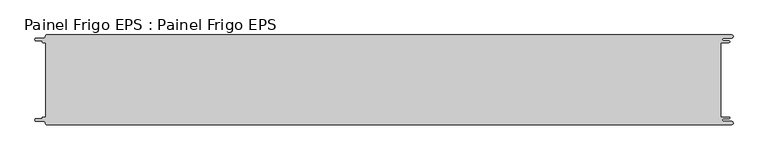
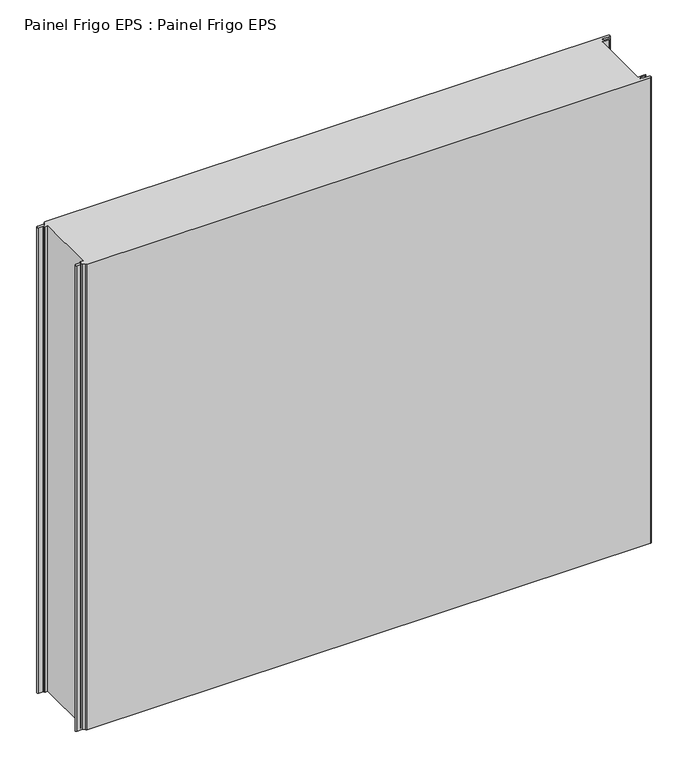
"""IFC4 building model written with IfcOpenShell, lengths in millimetres: proxy geometry, Painel Frigo EPS : Painel Frigo EPS."""

from ifc_helpers import new_model, si_unit, frame, origin, place, context, project, spatial, polyline, circle_curve, source, transform, mapped, element, save
from ifc_brep_helpers import plane_surface, cylinder_surface, revolved_surface, advanced_brep


def painel_frigo_eps_painel_frigo_eps_00dae897(model_context):
    return source(origin(), model_context, "Body", "AdvancedBrep", [
        advanced_brep(
        [(-579.5093748, -62.3, 1000.0), (-580.1093748, -62.9, 1000.0), (-580.1093748, -63.7085184, 1000.0), (-581.5093751, -65.1085187, 1000.0), (-590.4875, -65.1085187, 1000.0), (-590.4875, -69.5085185, 1000.0), (-578.471875, -69.5085185, 1000.0), (-574.921875, -73.0585185, 1000.0), (-572.971875, -75.0, 1000.0), (572.284375, -75.0, 1000.0), (572.284375, -69.725, 1000.0), (559.378125, -69.725, 1000.0), (559.378125, -64.875, 1000.0), (568.0406253, -64.875, 1000.0), (568.0406253, -62.3, 1000.0), (554.1906253, -62.3, 1000.0), (554.1906253, 62.3, 1000.0), (568.0406253, 62.3, 1000.0), (568.0406253, 64.875, 1000.0), (559.378125, 64.875, 1000.0), (559.378125, 69.725, 1000.0), (572.284375, 69.725, 1000.0), (572.284375, 75.0, 1000.0), (-572.971875, 75.0, 1000.0), (-574.921875, 73.05, 1000.0), (-578.471875, 69.5085185, 1000.0), (-590.4875, 69.5085185, 1000.0), (-590.4875, 65.1085185, 1000.0), (-581.5093753, 65.1085185, 1000.0), (-580.1093753, 63.7085185, 1000.0), (-580.1093753, 62.9, 1000.0), (-579.5093748, 62.2999995, 1000.0), (-574.2218362, 62.2999995, 1000.0), (-574.2218362, -62.3, 1000.0), (-579.5093748, -62.3, 0.0), (-574.2218362, -62.3, 0.0), (-574.2218362, 62.2999995, 0.0), (-579.5093748, 62.2999995, 0.0), (-580.1093753, 62.9, 0.0), (-580.1093753, 63.7085185, 0.0), (-581.5093753, 65.1085185, 0.0), (-590.4875, 65.1085185, 0.0), (-590.4875, 69.5085185, 0.0), (-578.471875, 69.5085185, 0.0), (-574.921875, 73.0585185, 0.0), (-572.971875, 75.0, 0.0), (572.284375, 75.0, 0.0), (572.284375, 69.725, 0.0), (559.378125, 69.725, 0.0), (559.378125, 64.875, 0.0), (568.0406253, 64.875, 0.0), (568.0406253, 62.3, 0.0), (554.1906253, 62.3, 0.0), (554.1906253, -62.3, 0.0), (568.0406253, -62.3, 0.0), (568.0406253, -64.875, 0.0), (559.378125, -64.875, 0.0), (559.378125, -69.725, 0.0), (572.284375, -69.725, 0.0), (572.284375, -75.0, 0.0), (-572.971875, -75.0, 0.0), (-574.921875, -73.05, 0.0), (-578.471875, -69.5085185, 0.0), (-590.4875, -69.5085185, 0.0), (-590.4875, -65.1085187, 0.0), (-581.5093751, -65.1085187, 0.0), (-580.1093748, -63.7085184, 0.0), (-580.1093748, -62.9, 0.0)],
        [
            (0, 1, circle_curve(frame((-579.5093748, -62.9, 1000.0), z_axis=(0.0, 0.0, 1.0), x_axis=(1.0, 0.0, 0.0)), 0.6)),
            (1, 2),
            (2, 3, circle_curve(frame((-581.5093751, -63.7085184, 1000.0), z_axis=(0.0, 0.0, -1.0), x_axis=(1.0, 0.0, 0.0)), 1.4000003)),
            (3, 4),
            (4, 5, circle_curve(frame((-590.4875, -67.3085186, 1000.0), z_axis=(0.0, 0.0, 1.0), x_axis=(1.0, 0.0, 0.0)), 2.1999999)),
            (5, 6),
            (6, 7, circle_curve(frame((-578.471875, -73.0585185, 1000.0), z_axis=(0.0, 0.0, -1.0), x_axis=(1.0, 0.0, 0.0)), 3.55)),
            (7, 8, circle_curve(frame((-572.971875, -73.05, 1000.0), z_axis=(0.0, 0.0, 1.0), x_axis=(1.0, 0.0, 0.0)), 1.95)),
            (8, 9),
            (9, 10, circle_curve(frame((572.284375, -72.3625, 1000.0), z_axis=(0.0, 0.0, 1.0), x_axis=(1.0, 0.0, 0.0)), 2.6375)),
            (10, 11),
            (11, 12, circle_curve(frame((559.378125, -67.3, 1000.0), z_axis=(0.0, 0.0, -1.0), x_axis=(1.0, 0.0, 0.0)), 2.425)),
            (12, 13),
            (13, 14, circle_curve(frame((568.0406253, -63.5875, 1000.0), z_axis=(0.0, 0.0, 1.0), x_axis=(1.0, 0.0, 0.0)), 1.2875)),
            (14, 15),
            (15, 16),
            (16, 17),
            (17, 18, circle_curve(frame((568.0406253, 63.5875, 1000.0), z_axis=(0.0, 0.0, 1.0), x_axis=(1.0, 0.0, 0.0)), 1.2875)),
            (18, 19),
            (19, 20, circle_curve(frame((559.378125, 67.3, 1000.0), z_axis=(0.0, 0.0, -1.0), x_axis=(1.0, 0.0, 0.0)), 2.425)),
            (20, 21),
            (21, 22, circle_curve(frame((572.284375, 72.3625, 1000.0), z_axis=(0.0, 0.0, 1.0), x_axis=(1.0, 0.0, 0.0)), 2.6375)),
            (22, 23),
            (23, 24, circle_curve(frame((-572.971875, 73.05, 1000.0), z_axis=(0.0, 0.0, 1.0), x_axis=(1.0, 0.0, 0.0)), 1.95)),
            (24, 25, circle_curve(frame((-578.471875, 73.0585185, 1000.0), z_axis=(0.0, 0.0, -1.0), x_axis=(1.0, 0.0, 0.0)), 3.55)),
            (25, 26),
            (26, 27, circle_curve(frame((-590.4875, 67.3085185, 1000.0), z_axis=(0.0, 0.0, 1.0), x_axis=(1.0, 0.0, 0.0)), 2.2)),
            (27, 28),
            (28, 29, circle_curve(frame((-581.5093753, 63.7085185, 1000.0), z_axis=(0.0, 0.0, -1.0), x_axis=(1.0, 0.0, 0.0)), 1.4)),
            (29, 30),
            (30, 31, circle_curve(frame((-579.5093748, 62.9, 1000.0), z_axis=(0.0, 0.0, 1.0), x_axis=(1.0, 0.0, 0.0)), 0.6000005)),
            (31, 32),
            (32, 33),
            (33, 0),
            (34, 35),
            (35, 36),
            (36, 37),
            (37, 38, circle_curve(frame((-579.5093748, 62.9, 0.0), z_axis=(0.0, 0.0, -1.0), x_axis=(1.0, 0.0, 0.0)), 0.6000005)),
            (38, 39),
            (39, 40, circle_curve(frame((-581.5093753, 63.7085185, 0.0), z_axis=(0.0, 0.0, 1.0), x_axis=(1.0, 0.0, 0.0)), 1.4)),
            (40, 41),
            (41, 42, circle_curve(frame((-590.4875, 67.3085185, 0.0), z_axis=(0.0, 0.0, -1.0), x_axis=(1.0, 0.0, 0.0)), 2.2)),
            (42, 43),
            (43, 44, circle_curve(frame((-578.471875, 73.0585185, 0.0), z_axis=(0.0, 0.0, 1.0), x_axis=(1.0, 0.0, 0.0)), 3.55)),
            (44, 45, circle_curve(frame((-572.971875, 73.05, 0.0), z_axis=(0.0, 0.0, -1.0), x_axis=(1.0, 0.0, 0.0)), 1.95)),
            (45, 46),
            (46, 47, circle_curve(frame((572.284375, 72.3625, 0.0), z_axis=(0.0, 0.0, -1.0), x_axis=(1.0, 0.0, 0.0)), 2.6375)),
            (47, 48),
            (48, 49, circle_curve(frame((559.378125, 67.3, 0.0), z_axis=(0.0, 0.0, 1.0), x_axis=(1.0, 0.0, 0.0)), 2.425)),
            (49, 50),
            (50, 51, circle_curve(frame((568.0406253, 63.5875, 0.0), z_axis=(0.0, 0.0, -1.0), x_axis=(1.0, 0.0, 0.0)), 1.2875)),
            (51, 52),
            (52, 53),
            (53, 54),
            (54, 55, circle_curve(frame((568.0406253, -63.5875, 0.0), z_axis=(0.0, 0.0, -1.0), x_axis=(1.0, 0.0, 0.0)), 1.2875)),
            (55, 56),
            (56, 57, circle_curve(frame((559.378125, -67.3, 0.0), z_axis=(0.0, 0.0, 1.0), x_axis=(1.0, 0.0, 0.0)), 2.425)),
            (57, 58),
            (58, 59, circle_curve(frame((572.284375, -72.3625, 0.0), z_axis=(0.0, 0.0, -1.0), x_axis=(1.0, 0.0, 0.0)), 2.6375)),
            (59, 60),
            (60, 61, circle_curve(frame((-572.971875, -73.05, 0.0), z_axis=(0.0, 0.0, -1.0), x_axis=(1.0, 0.0, 0.0)), 1.95)),
            (61, 62, circle_curve(frame((-578.471875, -73.0585185, 0.0), z_axis=(0.0, 0.0, 1.0), x_axis=(1.0, 0.0, 0.0)), 3.55)),
            (62, 63),
            (63, 64, circle_curve(frame((-590.4875, -67.3085186, 0.0), z_axis=(0.0, 0.0, -1.0), x_axis=(1.0, 0.0, 0.0)), 2.1999999)),
            (64, 65),
            (65, 66, circle_curve(frame((-581.5093751, -63.7085184, 0.0), z_axis=(0.0, 0.0, 1.0), x_axis=(1.0, 0.0, 0.0)), 1.4000003)),
            (66, 67),
            (67, 34, circle_curve(frame((-579.5093748, -62.9, 0.0), z_axis=(0.0, 0.0, -1.0), x_axis=(1.0, 0.0, 0.0)), 0.6)),
            (22, 46),
            (45, 23),
            (8, 60),
            (59, 9),
            (33, 35),
            (34, 0),
            (32, 36),
            (31, 37),
            (30, 38),
            (29, 39),
            (28, 40),
            (27, 41),
            (26, 42),
            (25, 43),
            (24, 44),
            (15, 53),
            (52, 16),
            (14, 54),
            (13, 55),
            (12, 56),
            (11, 57),
            (10, 58),
            (7, 61),
            (6, 62),
            (5, 63),
            (4, 64),
            (3, 65),
            (2, 66),
            (1, 67),
            (21, 47),
            (20, 48),
            (19, 49),
            (18, 50),
            (17, 51),
        ],
        [
            plane_surface(frame((-574.2218362, -62.3, 1000.0), z_axis=(0.0, 0.0, 1.0), x_axis=(1.0, 0.0, 0.0))),
            plane_surface(frame((-574.2218362, -62.3, 0.0), z_axis=(0.0, 0.0, -1.0), x_axis=(-1.0, 0.0, 0.0))),
            plane_surface(frame((-572.971875, 75.0, 1000.0), z_axis=(0.0, 1.0, 0.0), x_axis=(0.0, 0.0, -1.0))),
            plane_surface(frame((572.284375, -75.0, 1000.0), z_axis=(0.0, -1.0, 0.0), x_axis=(0.0, 0.0, -1.0))),
            plane_surface(frame((-579.5093748, -62.3, 1000.0), z_axis=(0.0, 1.0, 0.0), x_axis=(0.0, 0.0, -1.0))),
            plane_surface(frame((-574.2218362, -62.3, 1000.0), z_axis=(-1.0, 0.0, 0.0), x_axis=(0.0, 0.0, -1.0))),
            plane_surface(frame((-574.2218362, 62.2999995, 1000.0), z_axis=(0.0, -1.0, 0.0), x_axis=(0.0, 0.0, -1.0))),
            cylinder_surface(frame((-579.5093748, 62.9, 0.0), z_axis=(0.0, 0.0, 1.0), x_axis=(1.0, 0.0, 0.0)), 0.6000005),
            plane_surface(frame((-580.1093753, 62.9, 1000.0), z_axis=(-1.0, -1.757860866232952e-12, 0.0), x_axis=(0.0, 0.0, -1.0))),
            revolved_surface(polyline([(-580.1093753, 63.7085185, 0.0), (-580.1093753, 63.7085185, 1000.0)]), (-581.5093753, 63.7085185, 0.0), (0.0, 0.0, -1.0)),
            plane_surface(frame((-581.5093753, 65.1085185, 1000.0), z_axis=(0.0, -1.0, 0.0), x_axis=(0.0, 0.0, -1.0))),
            cylinder_surface(frame((-590.4875, 67.3085185, 0.0), z_axis=(0.0, 0.0, 1.0), x_axis=(1.0, 0.0, 0.0)), 2.2),
            plane_surface(frame((-590.4875, 69.5085185, 1000.0), z_axis=(0.0, 1.0, 0.0), x_axis=(0.0, 0.0, -1.0))),
            revolved_surface(polyline([(-574.921875, 73.0585185, 0.0), (-574.921875, 73.0585185, 1000.0)]), (-578.471875, 73.0585185, 0.0), (0.0, 0.0, -1.0)),
            cylinder_surface(frame((-572.971875, 73.05, 0.0), z_axis=(0.0, 0.0, 1.0), x_axis=(1.0, 0.0, 0.0)), 1.95),
            plane_surface(frame((554.1906253, 62.3, 1000.0), z_axis=(1.0, 0.0, 0.0), x_axis=(0.0, 0.0, -1.0))),
            plane_surface(frame((554.1906253, -62.3, 1000.0), z_axis=(0.0, 1.0, 0.0), x_axis=(0.0, 0.0, -1.0))),
            cylinder_surface(frame((568.0406253, -63.5875, 0.0), z_axis=(0.0, 0.0, 1.0), x_axis=(1.0, 0.0, 0.0)), 1.2875),
            plane_surface(frame((568.0406253, -64.875, 1000.0), z_axis=(0.0, -1.0, 0.0), x_axis=(0.0, 0.0, -1.0))),
            revolved_surface(polyline([(561.8031249999999, -67.3, 0.0), (561.8031249999999, -67.3, 1000.0)]), (559.378125, -67.3, 0.0), (0.0, 0.0, -1.0)),
            plane_surface(frame((559.378125, -69.725, 1000.0), z_axis=(0.0, 1.0, 0.0), x_axis=(0.0, 0.0, -1.0))),
            cylinder_surface(frame((572.284375, -72.3625, 0.0), z_axis=(0.0, 0.0, 1.0), x_axis=(1.0, 0.0, 0.0)), 2.6375),
            cylinder_surface(frame((-572.971875, -73.05, 0.0), z_axis=(0.0, 0.0, 1.0), x_axis=(1.0, 0.0, 0.0)), 1.95),
            revolved_surface(polyline([(-574.921875, -73.0585185, 0.0), (-574.921875, -73.0585185, 1000.0)]), (-578.471875, -73.0585185, 0.0), (0.0, 0.0, -1.0)),
            plane_surface(frame((-578.471875, -69.5085185, 1000.0), z_axis=(0.0, -1.0, 0.0), x_axis=(0.0, 0.0, -1.0))),
            cylinder_surface(frame((-590.4875, -67.3085186, 0.0), z_axis=(0.0, 0.0, 1.0), x_axis=(1.0, 0.0, 0.0)), 2.1999999),
            plane_surface(frame((-590.4875, -65.1085187, 1000.0), z_axis=(0.0, 1.0, 0.0), x_axis=(0.0, 0.0, -1.0))),
            revolved_surface(polyline([(-580.1093748000001, -63.7085184, 0.0), (-580.1093748000001, -63.7085184, 1000.0)]), (-581.5093751, -63.7085184, 0.0), (0.0, 0.0, -1.0)),
            plane_surface(frame((-580.1093748, -63.7085184, 1000.0), z_axis=(-1.0, 0.0, 0.0), x_axis=(0.0, 0.0, -1.0))),
            cylinder_surface(frame((-579.5093748, -62.9, 0.0), z_axis=(0.0, 0.0, 1.0), x_axis=(1.0, 0.0, 0.0)), 0.6),
            cylinder_surface(frame((572.284375, 72.3625, 0.0), z_axis=(0.0, 0.0, 1.0), x_axis=(1.0, 0.0, 0.0)), 2.6375),
            plane_surface(frame((572.284375, 69.725, 1000.0), z_axis=(0.0, -1.0, 0.0), x_axis=(0.0, 0.0, -1.0))),
            revolved_surface(polyline([(561.8031249999999, 67.3, 0.0), (561.8031249999999, 67.3, 1000.0)]), (559.378125, 67.3, 0.0), (0.0, 0.0, -1.0)),
            plane_surface(frame((559.378125, 64.875, 1000.0), z_axis=(0.0, 1.0, 0.0), x_axis=(0.0, 0.0, -1.0))),
            cylinder_surface(frame((568.0406253, 63.5875, 0.0), z_axis=(0.0, 0.0, 1.0), x_axis=(1.0, 0.0, 0.0)), 1.2875),
            plane_surface(frame((568.0406253, 62.3, 1000.0), z_axis=(0.0, -1.0, 0.0), x_axis=(0.0, 0.0, -1.0))),
        ],
        [
            (0, [[1, 2, 3, 4, 5, 6, 7, 8, 9, 10, 11, 12, 13, 14, 15, 16, 17, 18, 19, 20, 21, 22, 23, 24, 25, 26, 27, 28, 29, 30, 31, 32, 33, 34]]),
            (1, [[35, 36, 37, 38, 39, 40, 41, 42, 43, 44, 45, 46, 47, 48, 49, 50, 51, 52, 53, 54, 55, 56, 57, 58, 59, 60, 61, 62, 63, 64, 65, 66, 67, 68]]),
            (2, [[69, -46, 70, -23]]),
            (3, [[71, -60, 72, -9]]),
            (4, [[73, -35, 74, -34]]),
            (5, [[75, -36, -73, -33]]),
            (6, [[76, -37, -75, -32]]),
            (7, [[77, -38, -76, -31]]),
            (8, [[78, -39, -77, -30]]),
            (9, [[79, -40, -78, -29]]),
            (10, [[80, -41, -79, -28]]),
            (11, [[81, -42, -80, -27]]),
            (12, [[82, -43, -81, -26]]),
            (13, [[83, -44, -82, -25]]),
            (14, [[-70, -45, -83, -24]]),
            (15, [[84, -53, 85, -16]]),
            (16, [[86, -54, -84, -15]]),
            (17, [[87, -55, -86, -14]]),
            (18, [[88, -56, -87, -13]]),
            (19, [[89, -57, -88, -12]]),
            (20, [[90, -58, -89, -11]]),
            (21, [[-72, -59, -90, -10]]),
            (22, [[91, -61, -71, -8]]),
            (23, [[92, -62, -91, -7]]),
            (24, [[93, -63, -92, -6]]),
            (25, [[94, -64, -93, -5]]),
            (26, [[95, -65, -94, -4]]),
            (27, [[96, -66, -95, -3]]),
            (28, [[97, -67, -96, -2]]),
            (29, [[-74, -68, -97, -1]]),
            (30, [[98, -47, -69, -22]]),
            (31, [[99, -48, -98, -21]]),
            (32, [[100, -49, -99, -20]]),
            (33, [[101, -50, -100, -19]]),
            (34, [[102, -51, -101, -18]]),
            (35, [[-85, -52, -102, -17]]),
        ],
    ),
    ])


if __name__ == "__main__":
    model = new_model("IFC4")
    model_context = context("Model", 3, world=origin())
    ifc_project = project(units=[si_unit("LENGTHUNIT", "METRE", prefix="MILLI")], contexts=[model_context])
    site = spatial("IfcSite", under=ifc_project)
    building = spatial("IfcBuilding", under=site)
    placement = place(None, origin())
    painel_frigo_eps_painel_frigo_eps_shape = painel_frigo_eps_painel_frigo_eps_00dae897(model_context)
    element("IfcBuildingElementProxy", 1, Name="Painel Frigo EPS : Painel Frigo EPS", ObjectType="Painel Frigo EPS : Painel Frigo EPS", at=placement, inside=building, context=model_context, shape_type="MappedRepresentation", body=[
        mapped(painel_frigo_eps_painel_frigo_eps_shape, transform((0.0, 0.0, 0.0), x_axis=(1.0, 0.0, 0.0), y_axis=(0.0, 1.0, 0.0), z_axis=(0.0, 0.0, 1.0))),
    ])
    save(model, "model.ifc")
